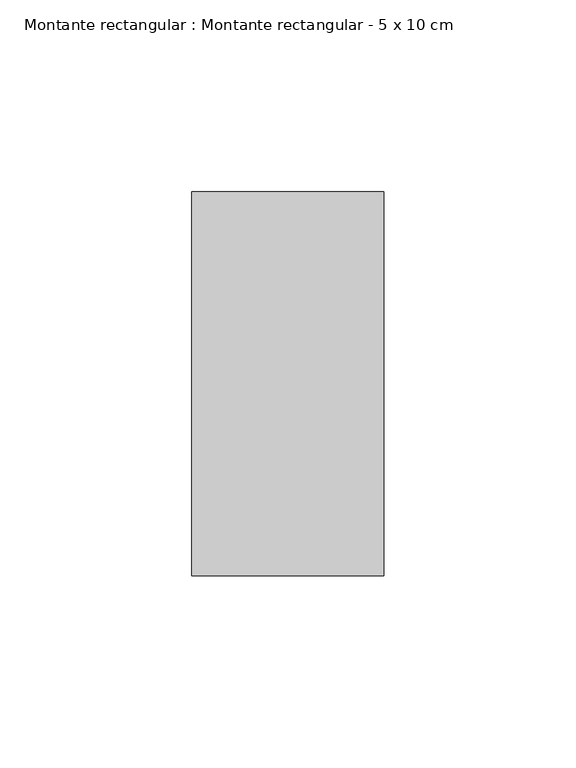
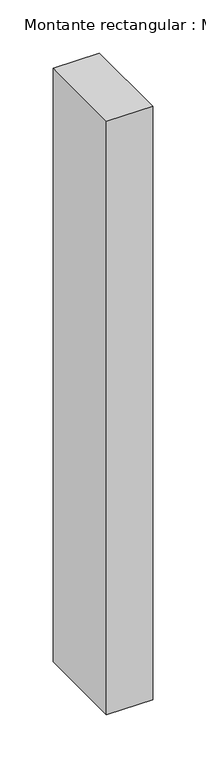
"""IFC4 building model written with IfcOpenShell, lengths in millimetres: member geometry, Montante rectangular : Montante rectangular - 5 x 10 cm."""

from ifc_helpers import new_model, si_unit, frame, origin, place, context, project, spatial, polyline, outline, extrude, source, transform, mapped, element, save


def montante_rectangular_montante_rectangular_5_x_10_cm_7210b307(model_context):
    return source(origin(), model_context, "Body", "SweptSolid", [
        extrude(outline(polyline([(0.0, 50.0), (0.0, -50.0), (-50.0, -50.0), (-50.0, 50.0), (0.0, 50.0)])), frame((0.0, 0.0, -680.5935957), z_axis=(0.0, 0.0, 1.0), x_axis=(1.0, 0.0, 0.0)), (0.0, 0.0, 1.0), 680.5935957),
    ])


if __name__ == "__main__":
    model = new_model("IFC4")
    model_context = context("Model", 3, world=origin())
    ifc_project = project(units=[si_unit("LENGTHUNIT", "METRE", prefix="MILLI")], contexts=[model_context])
    site = spatial("IfcSite", under=ifc_project)
    building = spatial("IfcBuilding", under=site)
    placement = place(None, origin())
    montante_rectangular_montante_rectangular_5_x_10_cm_shape = montante_rectangular_montante_rectangular_5_x_10_cm_7210b307(model_context)
    element("IfcMember", 1, ObjectType="Montante rectangular : Montante rectangular - 5 x 10 cm", at=placement, inside=building, context=model_context, shape_type="MappedRepresentation", body=[
        mapped(montante_rectangular_montante_rectangular_5_x_10_cm_shape, transform((0.0, 0.0, 0.0), x_axis=(1.0, 0.0, 0.0), y_axis=(0.0, 1.0, 0.0), z_axis=(0.0, 0.0, 1.0))),
    ])
    save(model, "model.ifc")
